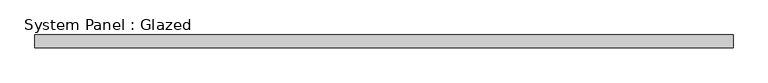
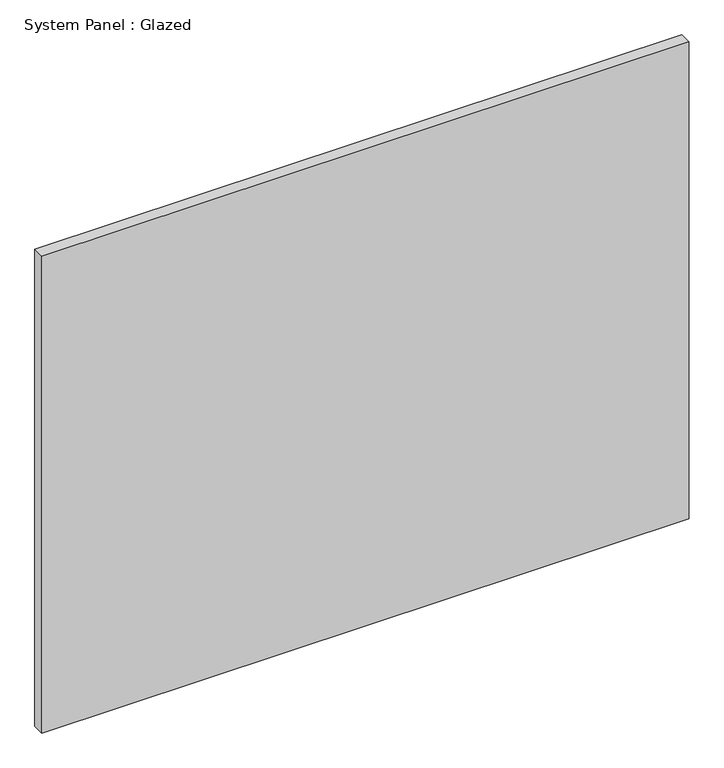
"""IFC4 building model written with IfcOpenShell, lengths in millimetres: plate geometry, System Panel : Glazed."""

from ifc_helpers import new_model, si_unit, origin, origin_with_axes, place, context, project, spatial, polyline, outline, extrude, source, transform, mapped, element, save


def system_panel_glazed_8c789028(model_context):
    return source(origin(), model_context, "Body", "SweptSolid", [
        extrude(outline(polyline([(673.9285714, 24.5), (-673.9285714, 24.5), (-673.9285714, 49.5), (673.9285714, 49.5), (673.9285714, 24.5)])), origin_with_axes(), (0.0, 0.0, 1.0), 1050.0),
    ])


if __name__ == "__main__":
    model = new_model("IFC4")
    model_context = context("Model", 3, world=origin())
    ifc_project = project(units=[si_unit("LENGTHUNIT", "METRE", prefix="MILLI")], contexts=[model_context])
    site = spatial("IfcSite", under=ifc_project)
    building = spatial("IfcBuilding", under=site)
    placement = place(None, origin())
    system_panel_glazed_shape = system_panel_glazed_8c789028(model_context)
    element("IfcPlate", 1, ObjectType="System Panel : Glazed", at=placement, inside=building, context=model_context, shape_type="MappedRepresentation", body=[
        mapped(system_panel_glazed_shape, transform((0.0, 0.0, 0.0), x_axis=(1.0, 0.0, 0.0), y_axis=(0.0, 1.0, 0.0), z_axis=(0.0, 0.0, 1.0))),
    ])
    save(model, "model.ifc")
